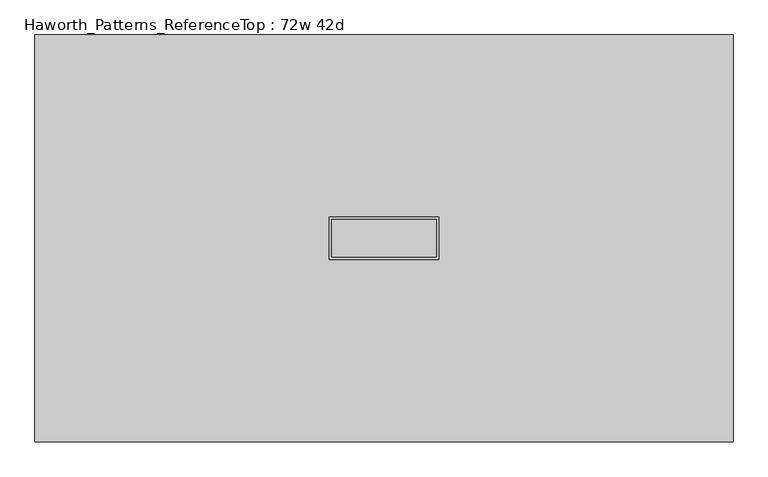
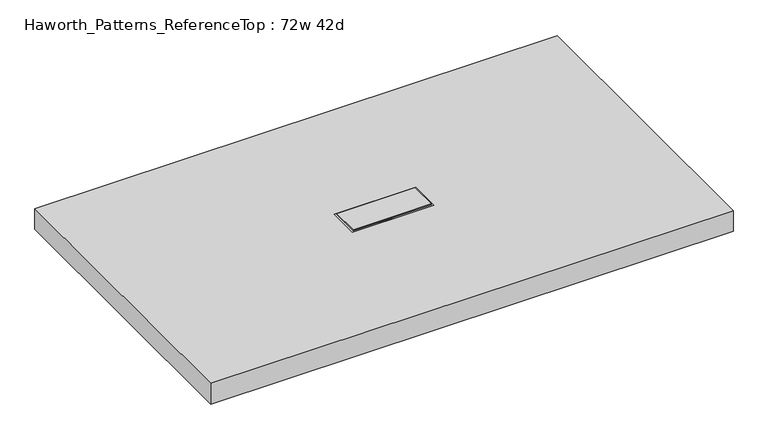
"""IFC4 building model written with IfcOpenShell, lengths in millimetres: furniture geometry, Haworth_Patterns_ReferenceTop : 72w 42d."""

from ifc_helpers import new_model, si_unit, origin, place, context, project, spatial, faceted_brep, source, transform, mapped, element, save


def haworth_patterns_referencetop_72w_42d_1107992d(model_context):
    return source(origin(), model_context, "Body", "Brep", [
        faceted_brep([(136.525, 49.2125, 1209.675), (-136.525, 49.2125, 1209.675), (-136.525, -49.2125, 1209.675), (136.525, -49.2125, 1209.675), (136.525, 49.2125, 1206.5), (-136.525, 49.2125, 1206.5), (-136.525, -49.2125, 1206.5), (136.525, -49.2125, 1206.5), (142.875, 55.5625, 1136.65), (142.875, -55.5625, 1136.65), (-142.875, -55.5625, 1136.65), (-142.875, 55.5625, 1136.65), (142.875, 55.5625, 1206.5), (-142.875, 55.5625, 1206.5), (-142.875, -55.5625, 1206.5), (142.875, -55.5625, 1206.5)], [[[0, 1, 2, 3]], [[1, 0, 4, 5]], [[2, 1, 5, 6]], [[3, 2, 6, 7]], [[0, 3, 7, 4]], [[8, 9, 10, 11]], [[12, 13, 14, 15], [5, 4, 7, 6]], [[8, 11, 13, 12]], [[11, 10, 14, 13]], [[10, 9, 15, 14]], [[9, 8, 12, 15]]]),
        faceted_brep([(914.4, 533.4, 1206.5), (-914.4, 533.4, 1206.5), (-914.4, -533.4, 1206.5), (914.4, -533.4, 1206.5), (-142.875, 55.5625, 1206.5), (142.875, 55.5625, 1206.5), (142.875, -55.5625, 1206.5), (-142.875, -55.5625, 1206.5), (914.4, 533.4, 1130.3), (914.4, -533.4, 1130.3), (-914.4, -533.4, 1130.3), (-914.4, 533.4, 1130.3), (-142.875, 55.5625, 1136.65), (142.875, 55.5625, 1136.65), (-142.875, -55.5625, 1136.65), (142.875, -55.5625, 1136.65)], [[[0, 1, 2, 3], [4, 5, 6, 7]], [[8, 9, 10, 11]], [[1, 0, 8, 11]], [[2, 1, 11, 10]], [[3, 2, 10, 9]], [[0, 3, 9, 8]], [[12, 13, 5, 4]], [[14, 12, 4, 7]], [[15, 14, 7, 6]], [[13, 15, 6, 5]], [[13, 12, 14, 15]]]),
    ])


if __name__ == "__main__":
    model = new_model("IFC4")
    model_context = context("Model", 3, world=origin())
    ifc_project = project(units=[si_unit("LENGTHUNIT", "METRE", prefix="MILLI")], contexts=[model_context])
    site = spatial("IfcSite", under=ifc_project)
    building = spatial("IfcBuilding", under=site)
    placement = place(None, origin())
    haworth_patterns_referencetop_72w_42d_shape = haworth_patterns_referencetop_72w_42d_1107992d(model_context)
    element("IfcFurniture", 1, ObjectType="Haworth_Patterns_ReferenceTop : 72w 42d", at=placement, inside=building, context=model_context, shape_type="MappedRepresentation", body=[
        mapped(haworth_patterns_referencetop_72w_42d_shape, transform((0.0, 0.0, 0.0), x_axis=(1.0, 0.0, 0.0), y_axis=(0.0, 1.0, 0.0), z_axis=(0.0, 0.0, 1.0))),
    ])
    save(model, "model.ifc")
